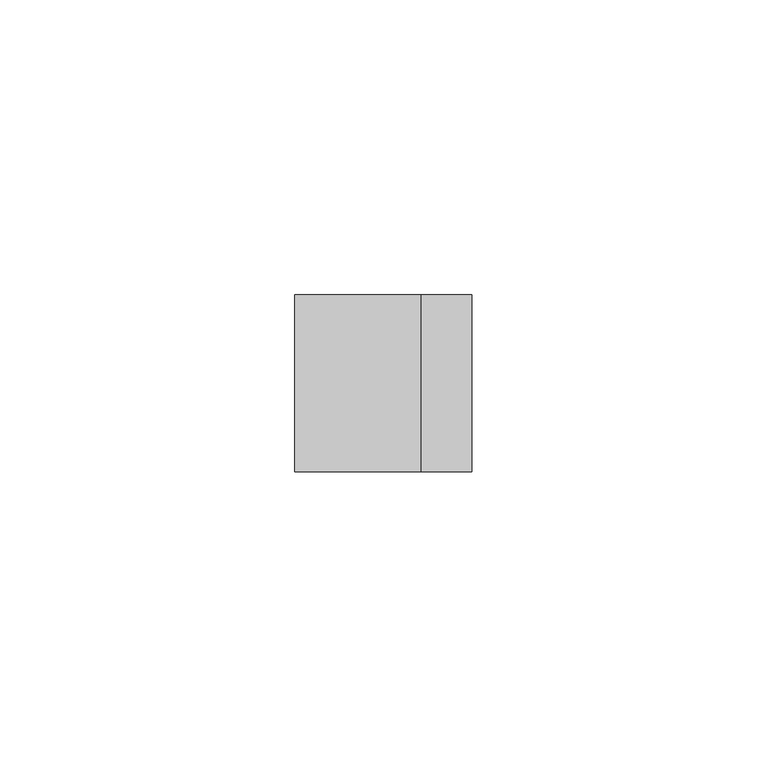
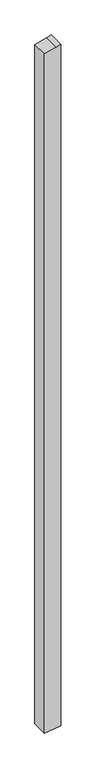
"""IFC4 building model written with IfcOpenShell, lengths in millimetres: member geometry."""

from ifc_helpers import new_model, si_unit, frame, origin, place, context, project, spatial, polyline, outline, extrude, source, transform, mapped, element, save


def member_7abbd514(model_context):
    return source(origin(), model_context, "Body", "SweptSolid", [
        extrude(outline(polyline([(3.1373334, 15.0), (0.8518543, 6.4704761), (-4.9011424, -15.0), (-1311.7797702, -15.0), (-1310.6565456, -6.7259094), (-1307.7072095, 15.0), (3.1373334, 15.0)])), frame((0.0, -15.0, 0.0), z_axis=(0.0, 1.0, 0.0), x_axis=(0.0, 0.0, 1.0)), (0.0, 0.0, 1.0), 30.0),
    ])


if __name__ == "__main__":
    model = new_model("IFC4")
    model_context = context("Model", 3, world=origin())
    ifc_project = project(units=[si_unit("LENGTHUNIT", "METRE", prefix="MILLI")], contexts=[model_context])
    site = spatial("IfcSite", under=ifc_project)
    building = spatial("IfcBuilding", under=site)
    placement = place(None, origin())
    member_shape = member_7abbd514(model_context)
    element("IfcMember", 1, at=placement, inside=building, context=model_context, shape_type="MappedRepresentation", body=[
        mapped(member_shape, transform((0.0, 0.0, 0.0), x_axis=(1.0, 0.0, 0.0), y_axis=(0.0, 1.0, 0.0), z_axis=(0.0, 0.0, 1.0))),
    ])
    save(model, "model.ifc")
